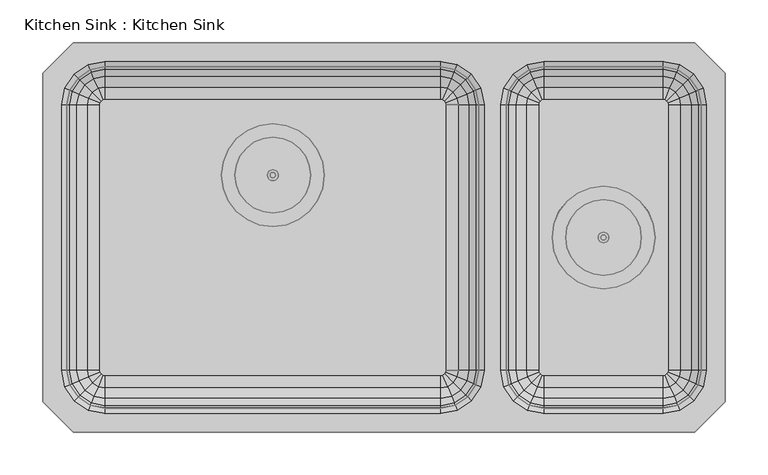
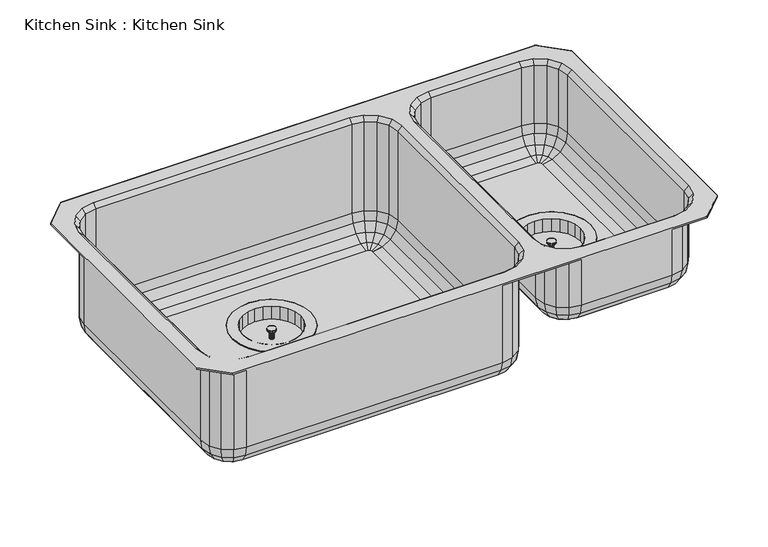
"""IFC4 building model written with IfcOpenShell, lengths in millimetres: flow terminal geometry, Kitchen Sink : Kitchen Sink."""

from ifc_helpers import new_model, si_unit, origin, place, context, project, spatial, triangles, source, transform, mapped, element, save


def kitchen_sink_kitchen_sink_70f16a05(model_context):
    return source(origin(), model_context, "Body", "Tessellation", [
        triangles([(660.5270514, -228.5999818, 63.4999985), (660.5270514, -228.5999818, 50.8000015), (660.4188457, -227.7782297, 50.8000015), (660.4188457, -227.7782297, 63.4999985), (701.8020029, -228.5999818, 50.8000015), (701.8020029, -228.5999818, 71.4375), (700.2874151, -217.0954697, 71.4375), (700.2874151, -217.0954697, 50.8000015), (660.1016413, -227.0124697, 50.8000015), (660.1016413, -227.0124697, 63.4999985), (695.8468431, -206.3749758, 71.4375), (695.8468431, -206.3749758, 50.8000015), (659.5970936, -226.3549154, 50.8000015), (659.5970936, -226.3549154, 63.4999985), (688.7829575, -197.1690697, 71.4375), (688.7829575, -197.1690697, 50.8000015), (658.9395029, -225.8503495, 50.8000015), (658.9395029, -225.8503495, 63.4999985), (679.5770514, -190.1051476, 71.4375), (679.5770514, -190.1051476, 50.8000015), (658.1737793, -225.5331632, 50.8000015), (658.1737793, -225.5331632, 63.4999985), (668.8565575, -185.6645757, 71.4375), (668.8565575, -185.6645757, 50.8000015), (657.3520271, -225.4249758, 50.8000015), (657.3520271, -225.4249758, 63.4999985), (657.3520271, -184.1499697, 71.4375), (657.3520271, -184.1499697, 50.8000015), (656.530275, -225.5331632, 50.8000015), (656.530275, -225.5331632, 63.4999985), (645.8474968, -185.6645757, 71.4375), (645.8474968, -185.6645757, 50.8000015), (655.7645514, -225.8503495, 50.8000015), (655.7645514, -225.8503495, 63.4999985), (635.1270029, -190.1051476, 71.4375), (635.1270029, -190.1051476, 50.8000015), (655.1069607, -226.3549154, 50.8000015), (655.1069607, -226.3549154, 63.4999985), (625.9210968, -197.1690697, 71.4375), (625.9210968, -197.1690697, 50.8000015), (654.602413, -227.0124697, 50.8000015), (654.602413, -227.0124697, 63.4999985), (618.8572111, -206.3749758, 71.4375), (618.8572111, -206.3749758, 50.8000015), (654.2852085, -227.7782297, 50.8000015), (654.2852085, -227.7782297, 63.4999985), (614.4166391, -217.0954697, 71.4375), (614.4166391, -217.0954697, 50.8000015), (654.1770029, -228.5999818, 50.8000015), (654.1770029, -228.5999818, 63.4999985), (612.9020514, -228.5999818, 71.4375), (612.9020514, -228.5999818, 50.8000015), (654.2852085, -229.421734, 50.8000015), (654.2852085, -229.421734, 63.4999985), (614.4166391, -240.1044758, 71.4375), (614.4166391, -240.1044758, 50.8000015), (654.602413, -230.1874758, 50.8000015), (654.602413, -230.1874758, 63.4999985), (618.8572111, -250.8249697, 71.4375), (618.8572111, -250.8249697, 50.8000015), (655.1069607, -230.8450301, 50.8000015), (655.1069607, -230.8450301, 63.4999985), (625.9210968, -260.0308758, 71.4375), (625.9210968, -260.0308758, 50.8000015), (655.7645514, -231.3496141, 50.8000015), (655.7645514, -231.3496141, 63.4999985), (635.1270029, -267.0947978, 71.4375), (635.1270029, -267.0947978, 50.8000015), (656.530275, -231.6667823, 50.8000015), (656.530275, -231.6667823, 63.4999985), (645.8474968, -271.5353698, 71.4375), (645.8474968, -271.5353698, 50.8000015), (657.3520271, -231.7749697, 50.8000015), (657.3520271, -231.7749697, 63.4999985), (657.3520271, -273.0499758, 71.4375), (657.3520271, -273.0499758, 50.8000015), (658.1737793, -231.6667823, 50.8000015), (658.1737793, -231.6667823, 63.4999985), (668.8565575, -271.5353698, 71.4375), (668.8565575, -271.5353698, 50.8000015), (658.9395029, -231.3496141, 50.8000015), (658.9395029, -231.3496141, 63.4999985), (679.5770514, -267.0947978, 71.4375), (679.5770514, -267.0947978, 50.8000015), (659.5970936, -230.8450301, 50.8000015), (659.5970936, -230.8450301, 63.4999985), (688.7829575, -260.0308758, 71.4375), (688.7829575, -260.0308758, 50.8000015), (660.1016413, -230.1874758, 50.8000015), (660.1016413, -230.1874758, 63.4999985), (695.8468431, -250.8249697, 71.4375), (695.8468431, -250.8249697, 50.8000015), (660.4188457, -229.421734, 50.8000015), (660.4188457, -229.421734, 63.4999985), (700.2874151, -240.1044758, 71.4375), (700.2874151, -240.1044758, 50.8000015), (599.082546, -244.2132367, 71.4375), (605.1090314, -258.7624758, 71.4375), (599.082546, -244.2132367, 69.8500015), (605.1090314, -258.7624758, 69.8500015), (614.6958372, -271.2561899, 71.4375), (700.008217, -271.2561899, 71.4375), (709.5949865, -258.7624758, 71.4375), (715.6215082, -244.2132367, 71.4375), (709.5949865, -258.7624758, 69.8500015), (715.6215082, -244.2132367, 69.8500015), (672.9653183, -286.8694448, 71.4375), (687.5145029, -280.8429594, 71.4375), (672.9653183, -286.8694448, 69.8500015), (687.5145029, -280.8429594, 69.8500015), (614.6958372, -271.2561899, 69.8500015), (627.1895514, -280.8429594, 69.8500015), (627.1895514, -280.8429594, 71.4375), (641.738736, -286.8694448, 69.8500015), (641.738736, -286.8694448, 71.4375), (657.3520271, -288.9249697, 69.8500015), (657.3520271, -288.9249697, 71.4375), (700.008217, -271.2561899, 69.8500015), (687.5145029, -176.3569861, 71.4375), (672.9653183, -170.3305007, 71.4375), (687.5145029, -176.3569861, 69.8500015), (672.9653183, -170.3305007, 69.8500015), (641.738736, -170.3305007, 71.4375), (627.1895514, -176.3569861, 71.4375), (614.6958372, -185.9437556, 71.4375), (627.1895514, -176.3569861, 69.8500015), (614.6958372, -185.9437556, 69.8500015), (663.7020029, -228.5999818, 66.675), (663.7020029, -228.5999818, 63.4999985), (663.4856644, -226.9564775, 63.4999985), (663.4856644, -226.9564775, 66.675), (662.8512554, -225.4249758, 63.4999985), (662.8512554, -225.4249758, 66.675), (661.84216, -224.1098489, 63.4999985), (661.84216, -224.1098489, 66.675), (660.5270514, -223.1007172, 63.4999985), (660.5270514, -223.1007172, 66.675), (658.9955315, -222.4663446, 63.4999985), (658.9955315, -222.4663446, 66.675), (657.3520271, -222.2499697, 63.4999985), (657.3520271, -222.2499697, 66.675), (655.7085228, -222.4663446, 63.4999985), (655.7085228, -222.4663446, 66.675), (654.1770029, -223.1007172, 63.4999985), (654.1770029, -223.1007172, 66.675), (652.8618942, -224.1098489, 63.4999985), (652.8618942, -224.1098489, 66.675), (651.8527988, -225.4249758, 63.4999985), (651.8527988, -225.4249758, 66.675), (651.2183899, -226.9564775, 63.4999985), (651.2183899, -226.9564775, 66.675), (651.0020514, -228.5999818, 63.4999985), (651.0020514, -228.5999818, 66.675), (651.2183899, -230.243468, 63.4999985), (651.2183899, -230.243468, 66.675), (651.8527988, -231.7749697, 63.4999985), (651.8527988, -231.7749697, 66.675), (652.8618942, -233.0900966, 63.4999985), (652.8618942, -233.0900966, 66.675), (654.1770029, -234.0992283, 63.4999985), (654.1770029, -234.0992283, 66.675), (655.7085228, -234.7336009, 63.4999985), (655.7085228, -234.7336009, 66.675), (657.3520271, -234.9499758, 63.4999985), (657.3520271, -234.9499758, 66.675), (658.9955315, -234.7336009, 63.4999985), (658.9955315, -234.7336009, 66.675), (660.5270514, -234.0992283, 63.4999985), (660.5270514, -234.0992283, 66.675), (661.84216, -233.0900966, 63.4999985), (661.84216, -233.0900966, 66.675), (662.8512554, -231.7749697, 63.4999985), (662.8512554, -231.7749697, 66.675), (663.4856644, -230.243468, 63.4999985), (663.4856644, -230.243468, 66.675), (657.3520271, -228.5999818, 66.675), (605.1090314, -198.4374697, 71.4375), (605.1090314, -198.4374697, 69.8500015), (599.082546, -212.9867088, 71.4375), (597.0270392, -228.5999818, 71.4375), (599.082546, -212.9867088, 69.8500015), (597.0270392, -228.5999818, 69.8500015), (657.3520271, -168.2749758, 69.8500015), (657.3520271, -168.2749758, 71.4375), (641.738736, -170.3305007, 69.8500015), (700.008217, -185.9437556, 71.4375), (700.008217, -185.9437556, 69.8500015), (717.6770514, -228.5999818, 71.4375), (715.6215082, -212.9867088, 71.4375), (717.6770514, -228.5999818, 69.8500015), (715.6215082, -212.9867088, 69.8500015), (709.5949865, -198.4374697, 69.8500015), (709.5949865, -198.4374697, 71.4375), (272.9230031, -155.4479789, 12.7000004), (272.9230031, -155.4479789, 0.0), (272.8148157, -154.6262268, 0.0), (272.8148157, -154.6262268, 12.7000004), (314.1980092, -155.4479789, 0.0), (314.1980092, -155.4479789, 20.6375008), (312.6833851, -143.9434668, 20.6375008), (312.6833851, -143.9434668, 0.0), (272.4976294, -153.8604668, 0.0), (272.4976294, -153.8604668, 12.7000004), (308.2428131, -133.2229729, 20.6375008), (308.2428131, -133.2229729, 0.0), (271.9930635, -153.2029125, 0.0), (271.9930635, -153.2029125, 12.7000004), (301.1788911, -124.0170758, 20.6375008), (301.1788911, -124.0170758, 0.0), (271.335491, -152.6983466, 0.0), (271.335491, -152.6983466, 12.7000004), (291.9730031, -116.9531447, 20.6375008), (291.9730031, -116.9531447, 0.0), (270.5697493, -152.3811603, 0.0), (270.5697493, -152.3811603, 12.7000004), (281.2525093, -112.5125728, 20.6375008), (281.2525093, -112.5125728, 0.0), (269.7479971, -152.2729729, 0.0), (269.7479971, -152.2729729, 12.7000004), (269.7479971, -110.9979759, 20.6375008), (269.7479971, -110.9979759, 0.0), (268.9262449, -152.3811603, 0.0), (268.9262449, -152.3811603, 12.7000004), (258.2434849, -112.5125728, 20.6375008), (258.2434849, -112.5125728, 0.0), (268.1605031, -152.6983466, 0.0), (268.1605031, -152.6983466, 12.7000004), (247.522991, -116.9531447, 20.6375008), (247.522991, -116.9531447, 0.0), (267.5029306, -153.2029125, 0.0), (267.5029306, -153.2029125, 12.7000004), (238.3171031, -124.0170758, 20.6375008), (238.3171031, -124.0170758, 0.0), (266.9983648, -153.8604668, 0.0), (266.9983648, -153.8604668, 12.7000004), (231.2531629, -133.2229729, 20.6375008), (231.2531629, -133.2229729, 0.0), (266.6811785, -154.6262268, 0.0), (266.6811785, -154.6262268, 12.7000004), (226.8125909, -143.9434668, 20.6375008), (226.8125909, -143.9434668, 0.0), (266.572991, -155.4479789, 0.0), (266.572991, -155.4479789, 12.7000004), (225.2980031, -155.4479789, 20.6375008), (225.2980031, -155.4479789, 0.0), (266.6811785, -156.2697311, 0.0), (266.6811785, -156.2697311, 12.7000004), (226.8125909, -166.9524729, 20.6375008), (226.8125909, -166.9524729, 0.0), (266.9983648, -157.0354729, 0.0), (266.9983648, -157.0354729, 12.7000004), (231.2531629, -177.6729668, 20.6375008), (231.2531629, -177.6729668, 0.0), (267.5029306, -157.6930454, 0.0), (267.5029306, -157.6930454, 12.7000004), (238.3171031, -186.8788729, 20.6375008), (238.3171031, -186.8788729, 0.0), (268.1605031, -158.1976112, 0.0), (268.1605031, -158.1976112, 12.7000004), (247.522991, -193.9427949, 20.6375008), (247.522991, -193.9427949, 0.0), (268.9262449, -158.5147975, 0.0), (268.9262449, -158.5147975, 12.7000004), (258.2434849, -198.3833851, 20.6375008), (258.2434849, -198.3833851, 0.0), (269.7479971, -158.6229668, 0.0), (269.7479971, -158.6229668, 12.7000004), (269.7479971, -199.8979729, 20.6375008), (269.7479971, -199.8979729, 0.0), (270.5697493, -158.5147975, 0.0), (270.5697493, -158.5147975, 12.7000004), (281.2525093, -198.3833851, 20.6375008), (281.2525093, -198.3833851, 0.0), (271.335491, -158.1976112, 0.0), (271.335491, -158.1976112, 12.7000004), (291.9730031, -193.9427949, 20.6375008), (291.9730031, -193.9427949, 0.0), (271.9930635, -157.6930454, 0.0), (271.9930635, -157.6930454, 12.7000004), (301.1788911, -186.8788729, 20.6375008), (301.1788911, -186.8788729, 0.0), (272.4976294, -157.0354729, 0.0), (272.4976294, -157.0354729, 12.7000004), (308.2428131, -177.6729668, 20.6375008), (308.2428131, -177.6729668, 0.0), (272.8148157, -156.2697311, 0.0), (272.8148157, -156.2697311, 12.7000004), (312.6833851, -166.9524729, 20.6375008), (312.6833851, -166.9524729, 0.0), (211.478516, -171.0612338, 20.6375008), (217.5050195, -185.6104729, 20.6375008), (211.478516, -171.0612338, 19.05), (217.5050195, -185.6104729, 19.05), (227.091789, -198.104187, 20.6375008), (312.4042233, -198.104187, 20.6375008), (321.9909928, -185.6104729, 20.6375008), (328.0174782, -171.0612338, 20.6375008), (321.9909928, -185.6104729, 19.05), (328.0174782, -171.0612338, 19.05), (285.3612519, -213.7174418, 20.6375008), (299.910491, -207.6909565, 20.6375008), (285.3612519, -213.7174418, 19.05), (299.910491, -207.6909565, 19.05), (227.091789, -198.104187, 19.05), (239.5855031, -207.6909565, 19.05), (239.5855031, -207.6909565, 20.6375008), (254.1347423, -213.7174418, 19.05), (254.1347423, -213.7174418, 20.6375008), (269.7479971, -215.7729668, 19.05), (269.7479971, -215.7729668, 20.6375008), (312.4042233, -198.104187, 19.05), (299.910491, -103.2049923, 20.6375008), (285.3612519, -97.1784978, 20.6375008), (299.910491, -103.2049923, 19.05), (285.3612519, -97.1784978, 19.05), (254.1347423, -97.1784978, 20.6375008), (239.5855031, -103.2049923, 20.6375008), (227.091789, -112.7917618, 20.6375008), (239.5855031, -103.2049923, 19.05), (227.091789, -112.7917618, 19.05), (276.097991, -155.4479789, 15.8749996), (276.097991, -155.4479789, 12.7000004), (275.8816343, -153.8044746, 12.7000004), (275.8816343, -153.8044746, 15.8749996), (275.2472617, -152.2729729, 12.7000004), (275.2472617, -152.2729729, 15.8749996), (274.23813, -150.957846, 12.7000004), (274.23813, -150.957846, 15.8749996), (272.9230031, -149.9487143, 12.7000004), (272.9230031, -149.9487143, 15.8749996), (271.3915014, -149.3143417, 12.7000004), (271.3915014, -149.3143417, 15.8749996), (269.7479971, -149.0979759, 12.7000004), (269.7479971, -149.0979759, 15.8749996), (268.1044928, -149.3143417, 12.7000004), (268.1044928, -149.3143417, 15.8749996), (266.572991, -149.9487143, 12.7000004), (266.572991, -149.9487143, 15.8749996), (265.2578642, -150.957846, 12.7000004), (265.2578642, -150.957846, 15.8749996), (264.2487325, -152.2729729, 12.7000004), (264.2487325, -152.2729729, 15.8749996), (263.614378, -153.8044746, 12.7000004), (263.614378, -153.8044746, 15.8749996), (263.3980031, -155.4479789, 12.7000004), (263.3980031, -155.4479789, 15.8749996), (263.614378, -157.0914833, 12.7000004), (263.614378, -157.0914833, 15.8749996), (264.2487325, -158.6229668, 12.7000004), (264.2487325, -158.6229668, 15.8749996), (265.2578642, -159.9380937, 12.7000004), (265.2578642, -159.9380937, 15.8749996), (266.572991, -160.9472435, 12.7000004), (266.572991, -160.9472435, 15.8749996), (268.1044928, -161.581598, 12.7000004), (268.1044928, -161.581598, 15.8749996), (269.7479971, -161.7979729, 12.7000004), (269.7479971, -161.7979729, 15.8749996), (271.3915014, -161.581598, 12.7000004), (271.3915014, -161.581598, 15.8749996), (272.9230031, -160.9472435, 12.7000004), (272.9230031, -160.9472435, 15.8749996), (274.23813, -159.9380937, 12.7000004), (274.23813, -159.9380937, 15.8749996), (275.2472617, -158.6229668, 12.7000004), (275.2472617, -158.6229668, 15.8749996), (275.8816343, -157.0914833, 12.7000004), (275.8816343, -157.0914833, 15.8749996), (269.7479971, -155.4479789, 15.8749996), (217.5050195, -125.2854759, 20.6375008), (217.5050195, -125.2854759, 19.05), (211.478516, -139.834715, 20.6375008), (209.422991, -155.4479789, 20.6375008), (211.478516, -139.834715, 19.05), (209.422991, -155.4479789, 19.05), (269.7479971, -95.1229729, 19.05), (269.7479971, -95.1229729, 20.6375008), (254.1347423, -97.1784978, 19.05), (312.4042233, -112.7917618, 20.6375008), (312.4042233, -112.7917618, 19.05), (330.072985, -155.4479789, 20.6375008), (328.0174782, -139.834715, 20.6375008), (330.072985, -155.4479789, 19.05), (328.0174782, -139.834715, 19.05), (321.9909928, -125.2854759, 19.05), (321.9909928, -125.2854759, 20.6375008)], [[2, 3, 1], [3, 4, 1], [6, 7, 8], [6, 8, 5], [3, 9, 4], [9, 10, 4], [7, 11, 12], [7, 12, 8], [9, 13, 10], [13, 14, 10], [11, 15, 16], [11, 16, 12], [13, 17, 14], [17, 18, 14], [15, 19, 20], [15, 20, 16], [17, 21, 18], [21, 22, 18], [19, 23, 24], [19, 24, 20], [21, 25, 22], [25, 26, 22], [23, 27, 28], [23, 28, 24], [25, 29, 26], [29, 30, 26], [27, 31, 32], [27, 32, 28], [29, 33, 30], [33, 34, 30], [31, 35, 36], [31, 36, 32], [33, 37, 34], [37, 38, 34], [35, 39, 40], [35, 40, 36], [37, 41, 38], [41, 42, 38], [39, 43, 44], [39, 44, 40], [41, 45, 42], [45, 46, 42], [43, 47, 48], [43, 48, 44], [45, 49, 50], [45, 50, 46], [47, 51, 52], [47, 52, 48], [49, 53, 54], [49, 54, 50], [51, 55, 56], [51, 56, 52], [53, 57, 58], [53, 58, 54], [55, 59, 60], [55, 60, 56], [57, 61, 62], [57, 62, 58], [59, 63, 64], [59, 64, 60], [61, 65, 66], [61, 66, 62], [63, 67, 68], [63, 68, 64], [65, 69, 70], [65, 70, 66], [67, 71, 72], [67, 72, 68], [69, 73, 74], [69, 74, 70], [71, 75, 76], [71, 76, 72], [73, 77, 78], [73, 78, 74], [75, 79, 80], [75, 80, 76], [77, 81, 82], [77, 82, 78], [79, 83, 84], [79, 84, 80], [81, 85, 86], [81, 86, 82], [83, 87, 88], [83, 88, 84], [85, 89, 90], [85, 90, 86], [87, 91, 92], [87, 92, 88], [89, 93, 94], [89, 94, 90], [91, 95, 92], [95, 96, 92], [93, 2, 94], [2, 1, 94], [95, 6, 5], [95, 5, 96], [60, 64, 61], [60, 61, 57], [64, 68, 65], [64, 65, 61], [68, 72, 69], [68, 69, 65], [72, 76, 73], [72, 73, 69], [76, 80, 77], [76, 77, 73], [80, 84, 81], [80, 81, 77], [84, 88, 85], [84, 85, 81], [88, 92, 89], [88, 89, 85], [5, 8, 3], [5, 3, 2], [8, 12, 9], [8, 9, 3], [12, 16, 13], [12, 13, 9], [16, 20, 17], [16, 17, 13], [20, 24, 21], [20, 21, 17], [92, 96, 93], [92, 93, 89], [96, 5, 2], [96, 2, 93], [24, 28, 21], [28, 25, 21], [28, 32, 25], [32, 29, 25], [32, 36, 29], [36, 33, 29], [36, 40, 33], [40, 37, 33], [40, 44, 37], [44, 41, 37], [44, 48, 45], [44, 45, 41], [48, 52, 49], [48, 49, 45], [52, 56, 53], [52, 53, 49], [56, 60, 57], [56, 57, 53], [97, 98, 59], [97, 59, 55], [99, 100, 98], [99, 98, 97], [98, 101, 63], [98, 63, 59], [102, 103, 87], [103, 91, 87], [103, 104, 95], [103, 95, 91], [105, 106, 104], [105, 104, 103], [107, 108, 83], [107, 83, 79], [109, 110, 108], [109, 108, 107], [100, 111, 101], [100, 101, 98], [111, 112, 113], [111, 113, 101], [112, 114, 115], [112, 115, 113], [114, 116, 117], [114, 117, 115], [116, 109, 107], [116, 107, 117], [113, 115, 71], [113, 71, 67], [115, 117, 75], [115, 75, 71], [101, 113, 67], [101, 67, 63], [117, 107, 79], [117, 79, 75], [110, 118, 102], [110, 102, 108], [118, 105, 103], [118, 103, 102], [108, 102, 83], [102, 87, 83], [119, 120, 23], [119, 23, 19], [121, 122, 119], [122, 120, 119], [123, 124, 31], [124, 35, 31], [124, 125, 39], [124, 39, 35], [126, 127, 125], [126, 125, 124], [129, 130, 128], [130, 131, 128], [130, 132, 131], [132, 133, 131], [132, 134, 133], [134, 135, 133], [134, 136, 135], [136, 137, 135], [136, 138, 137], [138, 139, 137], [138, 140, 139], [140, 141, 139], [140, 142, 141], [142, 143, 141], [142, 144, 143], [144, 145, 143], [144, 146, 145], [146, 147, 145], [146, 148, 147], [148, 149, 147], [148, 150, 149], [150, 151, 149], [150, 152, 153], [150, 153, 151], [152, 154, 155], [152, 155, 153], [154, 156, 157], [154, 157, 155], [156, 158, 159], [156, 159, 157], [158, 160, 161], [158, 161, 159], [160, 162, 163], [160, 163, 161], [162, 164, 165], [162, 165, 163], [164, 166, 167], [164, 167, 165], [166, 168, 169], [166, 169, 167], [168, 170, 171], [168, 171, 169], [170, 172, 173], [170, 173, 171], [172, 174, 175], [172, 175, 173], [174, 129, 175], [129, 128, 175], [4, 10, 130], [10, 132, 130], [10, 14, 132], [14, 134, 132], [14, 18, 134], [18, 136, 134], [18, 22, 136], [22, 138, 136], [78, 82, 168], [78, 168, 166], [82, 86, 170], [82, 170, 168], [86, 90, 172], [86, 172, 170], [90, 94, 174], [90, 174, 172], [54, 58, 156], [54, 156, 154], [58, 62, 158], [58, 158, 156], [70, 74, 164], [70, 164, 162], [74, 78, 166], [74, 166, 164], [66, 70, 162], [66, 162, 160], [62, 66, 160], [62, 160, 158], [38, 42, 148], [38, 148, 146], [42, 46, 148], [46, 150, 148], [46, 50, 150], [50, 152, 150], [50, 54, 154], [50, 154, 152], [34, 38, 146], [34, 146, 144], [26, 30, 142], [26, 142, 140], [30, 34, 144], [30, 144, 142], [22, 26, 140], [22, 140, 138], [1, 4, 129], [4, 130, 129], [94, 1, 129], [94, 129, 174], [176, 128, 131], [176, 131, 133], [176, 133, 135], [176, 135, 137], [176, 137, 139], [176, 167, 169], [176, 169, 171], [176, 171, 173], [176, 173, 175], [176, 175, 128], [176, 155, 157], [176, 157, 159], [176, 159, 161], [176, 161, 163], [176, 163, 165], [176, 165, 167], [176, 147, 149], [176, 149, 151], [176, 151, 153], [176, 153, 155], [176, 139, 141], [176, 141, 143], [176, 143, 145], [176, 145, 147], [125, 177, 43], [125, 43, 39], [127, 178, 177], [127, 177, 125], [177, 179, 47], [177, 47, 43], [179, 180, 51], [179, 51, 47], [180, 97, 55], [180, 55, 51], [181, 182, 180], [181, 180, 179], [182, 99, 97], [182, 97, 180], [178, 181, 179], [178, 179, 177], [122, 183, 120], [183, 184, 120], [183, 185, 123], [183, 123, 184], [185, 126, 124], [185, 124, 123], [184, 123, 27], [123, 31, 27], [120, 184, 23], [184, 27, 23], [186, 119, 19], [186, 19, 15], [187, 121, 119], [187, 119, 186], [188, 189, 7], [188, 7, 6], [190, 191, 189], [190, 189, 188], [106, 190, 188], [106, 188, 104], [104, 188, 6], [104, 6, 95], [191, 192, 193], [191, 193, 189], [192, 187, 186], [192, 186, 193], [189, 193, 11], [189, 11, 7], [193, 186, 15], [193, 15, 11], [195, 196, 197], [195, 197, 194], [199, 200, 201], [199, 201, 198], [196, 202, 203], [196, 203, 197], [200, 204, 205], [200, 205, 201], [202, 206, 207], [202, 207, 203], [204, 208, 209], [204, 209, 205], [206, 210, 211], [206, 211, 207], [208, 212, 213], [208, 213, 209], [210, 214, 215], [210, 215, 211], [212, 216, 217], [212, 217, 213], [214, 218, 219], [214, 219, 215], [216, 220, 221], [216, 221, 217], [218, 222, 223], [218, 223, 219], [220, 224, 225], [220, 225, 221], [222, 226, 227], [222, 227, 223], [224, 228, 229], [224, 229, 225], [226, 230, 231], [226, 231, 227], [228, 232, 233], [228, 233, 229], [230, 234, 235], [230, 235, 231], [232, 236, 237], [232, 237, 233], [234, 238, 239], [234, 239, 235], [236, 240, 241], [236, 241, 237], [238, 242, 243], [238, 243, 239], [240, 244, 245], [240, 245, 241], [242, 246, 247], [242, 247, 243], [244, 248, 249], [244, 249, 245], [246, 250, 251], [246, 251, 247], [248, 252, 253], [248, 253, 249], [250, 254, 255], [250, 255, 251], [252, 256, 257], [252, 257, 253], [254, 258, 259], [254, 259, 255], [256, 260, 261], [256, 261, 257], [258, 262, 263], [258, 263, 259], [260, 264, 265], [260, 265, 261], [262, 266, 267], [262, 267, 263], [264, 268, 269], [264, 269, 265], [266, 270, 271], [266, 271, 267], [268, 272, 273], [268, 273, 269], [270, 274, 275], [270, 275, 271], [272, 276, 277], [272, 277, 273], [274, 278, 279], [274, 279, 275], [276, 280, 281], [276, 281, 277], [278, 282, 283], [278, 283, 279], [280, 284, 285], [280, 285, 281], [282, 286, 287], [282, 287, 283], [284, 288, 289], [284, 289, 285], [286, 195, 194], [286, 194, 287], [288, 199, 198], [288, 198, 289], [253, 257, 254], [253, 254, 250], [257, 261, 258], [257, 258, 254], [261, 265, 262], [261, 262, 258], [265, 269, 266], [265, 266, 262], [269, 273, 270], [269, 270, 266], [273, 277, 274], [273, 274, 270], [277, 281, 278], [277, 278, 274], [281, 285, 282], [281, 282, 278], [198, 201, 196], [198, 196, 195], [201, 205, 202], [201, 202, 196], [205, 209, 206], [205, 206, 202], [209, 213, 210], [209, 210, 206], [213, 217, 214], [213, 214, 210], [285, 289, 286], [285, 286, 282], [289, 198, 195], [289, 195, 286], [217, 221, 214], [221, 218, 214], [221, 225, 218], [225, 222, 218], [225, 229, 222], [229, 226, 222], [229, 233, 226], [233, 230, 226], [233, 237, 230], [237, 234, 230], [237, 241, 238], [237, 238, 234], [241, 245, 242], [241, 242, 238], [245, 249, 246], [245, 246, 242], [249, 253, 250], [249, 250, 246], [290, 291, 252], [290, 252, 248], [292, 293, 291], [292, 291, 290], [291, 294, 256], [291, 256, 252], [295, 296, 284], [295, 284, 280], [296, 297, 288], [296, 288, 284], [298, 299, 297], [298, 297, 296], [300, 301, 272], [301, 276, 272], [302, 303, 301], [302, 301, 300], [293, 304, 294], [293, 294, 291], [304, 305, 306], [304, 306, 294], [305, 307, 308], [305, 308, 306], [307, 309, 310], [307, 310, 308], [309, 302, 300], [309, 300, 310], [306, 308, 264], [306, 264, 260], [308, 310, 268], [308, 268, 264], [294, 306, 260], [294, 260, 256], [310, 300, 272], [310, 272, 268], [303, 311, 295], [303, 295, 301], [311, 298, 296], [311, 296, 295], [301, 295, 276], [295, 280, 276], [312, 313, 216], [312, 216, 212], [314, 315, 312], [315, 313, 312], [316, 317, 224], [317, 228, 224], [317, 318, 232], [317, 232, 228], [319, 320, 318], [319, 318, 317], [322, 323, 321], [323, 324, 321], [323, 325, 324], [325, 326, 324], [325, 327, 326], [327, 328, 326], [327, 329, 328], [329, 330, 328], [329, 331, 330], [331, 332, 330], [331, 333, 332], [333, 334, 332], [333, 335, 334], [335, 336, 334], [335, 337, 336], [337, 338, 336], [337, 339, 338], [339, 340, 338], [339, 341, 340], [341, 342, 340], [341, 343, 344], [341, 344, 342], [343, 345, 346], [343, 346, 344], [345, 347, 348], [345, 348, 346], [347, 349, 350], [347, 350, 348], [349, 351, 352], [349, 352, 350], [351, 353, 354], [351, 354, 352], [353, 355, 356], [353, 356, 354], [355, 357, 358], [355, 358, 356], [357, 359, 360], [357, 360, 358], [359, 361, 362], [359, 362, 360], [361, 363, 364], [361, 364, 362], [363, 365, 366], [363, 366, 364], [365, 367, 366], [367, 368, 366], [367, 322, 368], [322, 321, 368], [197, 203, 323], [203, 325, 323], [203, 207, 325], [207, 327, 325], [207, 211, 327], [211, 329, 327], [211, 215, 331], [211, 331, 329], [271, 275, 361], [271, 361, 359], [275, 279, 363], [275, 363, 361], [279, 283, 365], [279, 365, 363], [283, 287, 367], [283, 367, 365], [247, 251, 349], [247, 349, 347], [251, 255, 351], [251, 351, 349], [263, 267, 357], [263, 357, 355], [267, 271, 359], [267, 359, 357], [259, 263, 355], [259, 355, 353], [255, 259, 353], [255, 353, 351], [231, 235, 341], [231, 341, 339], [235, 239, 341], [239, 343, 341], [239, 243, 345], [239, 345, 343], [243, 247, 347], [243, 347, 345], [227, 231, 339], [227, 339, 337], [219, 223, 335], [219, 335, 333], [223, 227, 337], [223, 337, 335], [215, 219, 333], [215, 333, 331], [194, 197, 322], [197, 323, 322], [287, 194, 367], [194, 322, 367], [369, 321, 324], [369, 324, 326], [369, 326, 328], [369, 328, 330], [369, 330, 332], [369, 360, 362], [369, 362, 364], [369, 364, 366], [369, 366, 368], [369, 368, 321], [369, 348, 350], [369, 350, 352], [369, 352, 354], [369, 354, 356], [369, 356, 358], [369, 358, 360], [369, 340, 342], [369, 342, 344], [369, 344, 346], [369, 346, 348], [369, 332, 334], [369, 334, 336], [369, 336, 338], [369, 338, 340], [318, 370, 236], [318, 236, 232], [320, 371, 370], [320, 370, 318], [370, 372, 240], [370, 240, 236], [372, 373, 244], [372, 244, 240], [373, 290, 248], [373, 248, 244], [374, 375, 373], [374, 373, 372], [375, 292, 290], [375, 290, 373], [371, 374, 372], [371, 372, 370], [315, 376, 313], [376, 377, 313], [376, 378, 377], [378, 316, 377], [378, 319, 316], [319, 317, 316], [377, 316, 220], [316, 224, 220], [313, 377, 216], [377, 220, 216], [379, 312, 212], [379, 212, 208], [380, 314, 379], [314, 312, 379], [381, 382, 200], [381, 200, 199], [383, 384, 381], [384, 382, 381], [299, 383, 381], [299, 381, 297], [297, 381, 199], [297, 199, 288], [384, 385, 382], [385, 386, 382], [385, 380, 386], [380, 379, 386], [382, 386, 204], [382, 204, 200], [386, 379, 208], [386, 208, 204]], closed=False),
        triangles([(72.8980259, -428.7519908, 57.15), (72.8980259, -425.8518044, 42.5697671), (56.9975747, -422.6889888, 42.5697671), (55.8877224, -425.3684037, 57.15), (546.4355779, -401.3122413, 107.949997), (549.1149928, -400.202389, 93.3697641), (545.9521771, -384.3019787, 93.3697641), (543.0520271, -384.3019787, 107.949997), (28.4480251, -72.8979759, 57.15), (31.3481978, -72.8979759, 42.5697671), (34.5109544, -56.9975248, 42.5697671), (31.8315599, -55.8877224, 57.15), (543.0520271, -72.8979759, 107.949997), (545.9521771, -72.8979759, 93.3697641), (549.1149928, -56.9975248, 93.3697641), (546.4355779, -55.8877224, 107.949997), (768.2684401, -55.8877224, 107.949997), (765.5890251, -56.9975248, 93.3697641), (768.7517681, -72.8979759, 93.3697641), (771.6520271, -72.8979759, 107.949997), (727.2020514, -28.4479751, 107.949997), (727.2020514, -31.3481728, 93.3697641), (743.102389, -34.5109794, 93.3697641), (744.2122776, -31.831535, 107.949997), (507.6644342, -55.8877224, 57.15), (504.9850193, -56.9975248, 42.5697671), (508.1478713, -72.8979759, 42.5697671), (511.0480213, -72.8979759, 57.15), (727.2020514, -428.7519908, 201.6760075), (727.2020514, -435.1019666, 208.0260015), (746.6422892, -431.2350514, 208.0260015), (744.2122776, -425.3684037, 201.6760075), (763.1230419, -420.2230056, 208.0260015), (758.632909, -415.7328727, 201.6760075), (774.1350878, -403.7422892, 208.0260015), (768.2684401, -401.3122413, 201.6760075), (778.0020029, -384.3019787, 208.0260015), (771.6520271, -384.3019787, 201.6760075), (587.5020392, -28.4479751, 201.6760075), (587.5020392, -22.0979744, 208.0260015), (568.0616924, -25.9648963, 208.0260015), (570.491704, -31.831535, 201.6760075), (551.5810123, -36.9769649, 208.0260015), (556.0711089, -41.4670728, 201.6760075), (540.5689301, -53.4576291, 208.0260015), (546.4355779, -55.8877224, 201.6760075), (536.702015, -72.8979759, 208.0260015), (543.0520271, -72.8979759, 201.6760075), (771.6520271, -72.8979759, 201.6760075), (778.0020029, -72.8979759, 208.0260015), (774.1350878, -53.4576291, 208.0260015), (768.2684401, -55.8877224, 201.6760075), (763.1230419, -36.9769649, 208.0260015), (758.632909, -41.4670728, 201.6760075), (746.6422892, -25.9648963, 208.0260015), (744.2122776, -31.831535, 201.6760075), (727.2020514, -22.0979744, 208.0260015), (727.2020514, -28.4479751, 201.6760075), (543.0520271, -384.3019787, 201.6760075), (536.702015, -384.3019787, 208.0260015), (540.5689301, -403.7422892, 208.0260015), (546.4355779, -401.3122413, 201.6760075), (551.5810123, -420.2230056, 208.0260015), (556.0711089, -415.7328727, 201.6760075), (568.0616924, -431.2350514, 208.0260015), (570.491704, -425.3684037, 201.6760075), (587.5020392, -435.1019666, 208.0260015), (587.5020392, -428.7519908, 201.6760075), (486.0382833, -431.2350514, 208.0260015), (483.6082355, -425.3684037, 201.6760075), (466.5980092, -428.7519908, 201.6760075), (466.5980092, -435.1019666, 208.0260015), (502.5190361, -420.2230056, 208.0260015), (498.0289032, -415.7328727, 201.6760075), (513.5311183, -403.7422892, 208.0260015), (507.6644342, -401.3122413, 201.6760075), (517.3980334, -384.3019787, 208.0260015), (511.0480213, -384.3019787, 201.6760075), (53.4577018, -25.9648963, 208.0260015), (55.8877224, -31.831535, 201.6760075), (72.8980259, -28.4479751, 201.6760075), (72.8980259, -22.0979744, 208.0260015), (36.9769899, -36.9769649, 208.0260015), (41.4671001, -41.4670728, 201.6760075), (25.9649213, -53.4576291, 208.0260015), (31.8315599, -55.8877224, 201.6760075), (22.0980243, -72.8979759, 208.0260015), (28.4480251, -72.8979759, 201.6760075), (513.5311183, -53.4576291, 208.0260015), (507.6644342, -55.8877224, 201.6760075), (511.0480213, -72.8979759, 201.6760075), (517.3980334, -72.8979759, 208.0260015), (502.5190361, -36.9769649, 208.0260015), (498.0289032, -41.4670728, 201.6760075), (486.0382833, -25.9648963, 208.0260015), (483.6082355, -31.831535, 201.6760075), (466.5980092, -22.0979744, 208.0260015), (466.5980092, -28.4479751, 201.6760075), (25.9649213, -403.7422892, 208.0260015), (31.8315599, -401.3122413, 201.6760075), (28.4480251, -384.3019787, 201.6760075), (22.0980243, -384.3019787, 208.0260015), (36.9769899, -420.2230056, 208.0260015), (41.4671001, -415.7328727, 201.6760075), (53.4577018, -431.2350514, 208.0260015), (55.8877224, -425.3684037, 201.6760075), (72.8980259, -435.1019666, 208.0260015), (72.8980259, -428.7519908, 201.6760075), (558.1218558, -413.6821258, 93.3697641), (556.0711089, -415.7328727, 107.949997), (571.6015926, -422.6889888, 93.3697641), (570.491704, -425.3684037, 107.949997), (556.7453047, -397.0417897, 81.0092359), (554.2111934, -384.3019787, 81.0092359), (563.9619063, -407.8421116, 81.0092359), (574.7621919, -415.0586406, 81.0092359), (587.5020392, -417.5927519, 81.0092359), (587.5020392, -425.8518044, 93.3697641), (568.1649928, -392.3116279, 72.7501969), (566.5717761, -384.3019787, 72.7501969), (572.7021069, -399.1019111, 72.7501969), (579.4923901, -403.6389888, 72.7501969), (587.5020392, -405.2322055, 72.7501969), (583.0119063, -388.7921116, 69.8500015), (581.6353552, -386.7320266, 69.8500015), (585.0719913, -390.1686264, 69.8500015), (587.5020392, -428.7519908, 107.949997), (581.1520271, -384.3019787, 69.8500015), (587.5020392, -390.6519908, 69.8500015), (581.2740037, -385.5408202, 69.8500015), (582.2221653, -387.829852, 69.8500015), (583.9741296, -389.5818163, 69.8500015), (586.2631977, -390.5299779, 69.8500015), (756.5821621, -413.6821258, 93.3697641), (743.102389, -422.6889888, 93.3697641), (744.2122776, -425.3684037, 107.949997), (758.632909, -415.7328727, 107.949997), (765.5890251, -400.202389, 93.3697641), (768.2684401, -401.3122413, 107.949997), (739.9418261, -415.0586406, 81.0092359), (727.2020514, -417.5927519, 81.0092359), (727.2020514, -425.8518044, 93.3697641), (750.7421843, -407.8421116, 81.0092359), (757.9586769, -397.0417897, 81.0092359), (760.4927519, -384.3019787, 81.0092359), (768.7517681, -384.3019787, 93.3697641), (735.2116642, -403.6389888, 72.7501969), (727.2020514, -405.2322055, 72.7501969), (742.0019474, -399.1019111, 72.7501969), (746.5390251, -392.3116279, 72.7501969), (748.1323145, -384.3019787, 72.7501969), (731.6921843, -388.7921116, 69.8500015), (729.6320629, -390.1686264, 69.8500015), (733.0686264, -386.7320266, 69.8500015), (727.2020514, -428.7519908, 107.949997), (771.6520271, -384.3019787, 107.949997), (727.2020514, -390.6519908, 69.8500015), (733.5520271, -384.3019787, 69.8500015), (728.4408566, -390.5299779, 69.8500015), (730.7298883, -389.5818163, 69.8500015), (732.4818163, -387.829852, 69.8500015), (733.4300142, -385.5408202, 69.8500015), (558.1218558, -43.517847, 93.3697641), (571.6015926, -34.5109794, 93.3697641), (570.491704, -31.831535, 107.949997), (556.0711089, -41.4670728, 107.949997), (574.7621919, -42.1413185, 81.0092359), (587.5020392, -39.6072118, 81.0092359), (587.5020392, -31.3481728, 93.3697641), (563.9619063, -49.3578884, 81.0092359), (556.7453047, -60.1581467, 81.0092359), (554.2111934, -72.8979759, 81.0092359), (579.4923901, -53.5609794, 72.7501969), (587.5020392, -51.9677673, 72.7501969), (572.7021069, -58.0981071, 72.7501969), (568.1649928, -64.8883403, 72.7501969), (566.5717761, -72.8979759, 72.7501969), (583.0119063, -68.4078884, 69.8500015), (585.0719913, -67.03131, 69.8500015), (581.6353552, -70.4679325, 69.8500015), (587.5020392, -28.4479751, 107.949997), (587.5020392, -66.5479729, 69.8500015), (581.1520271, -72.8979759, 69.8500015), (586.2631977, -66.6699949, 69.8500015), (583.9741296, -67.6181519, 69.8500015), (582.2221653, -69.3701434, 69.8500015), (581.2740037, -71.6591934, 69.8500015), (756.5821621, -43.517847, 93.3697641), (758.632909, -41.4670728, 107.949997), (757.9586769, -60.1581467, 81.0092359), (760.4927519, -72.8979759, 81.0092359), (750.7421843, -49.3578884, 81.0092359), (739.9418261, -42.1413185, 81.0092359), (727.2020514, -39.6072118, 81.0092359), (746.5390251, -64.8883403, 72.7501969), (748.1323145, -72.8979759, 72.7501969), (742.0019474, -58.0981071, 72.7501969), (735.2116642, -53.5609794, 72.7501969), (727.2020514, -51.9677673, 72.7501969), (731.6921843, -68.4078884, 69.8500015), (733.0686264, -70.4679325, 69.8500015), (729.6320629, -67.03131, 69.8500015), (733.5520271, -72.8979759, 69.8500015), (727.2020514, -66.5479729, 69.8500015), (733.4300142, -71.6591934, 69.8500015), (732.4818163, -69.3701434, 69.8500015), (730.7298883, -67.6181519, 69.8500015), (728.4408566, -66.6699949, 69.8500015), (714.5020271, -228.5999818, 69.8500015), (710.1517113, -250.4703402, 69.8500015), (697.7631506, -269.0111416, 69.8500015), (679.2224218, -281.3996841, 69.8500015), (657.3520271, -285.7499818, 69.8500015), (635.4816324, -281.3996841, 69.8500015), (616.9409037, -269.0111416, 69.8500015), (604.5522703, -250.4703402, 69.8500015), (600.2020271, -228.5999818, 69.8500015), (604.5522703, -206.7296416, 69.8500015), (616.9409037, -188.188822, 69.8500015), (710.1517113, -206.7296416, 69.8500015), (635.4816324, -175.8002614, 69.8500015), (657.3520271, -171.4499818, 69.8500015), (679.2224218, -175.8002614, 69.8500015), (697.7631506, -188.188822, 69.8500015), (43.517847, -413.6821258, 42.5697671), (34.5109544, -400.202389, 42.5697671), (31.8315599, -401.3122413, 57.15), (41.4671001, -415.7328727, 57.15), (42.1413413, -397.0417897, 30.2092366), (39.6072345, -384.3019787, 30.2092366), (31.3481978, -384.3019787, 42.5697671), (49.3578884, -407.8421116, 30.2092366), (60.1581739, -415.0586406, 30.2092366), (72.8980259, -417.5927519, 30.2092366), (53.5609567, -392.3116279, 21.9501977), (51.9677673, -384.3019787, 21.9501977), (58.0980798, -399.1019111, 21.9501977), (64.8883631, -403.6389888, 21.9501977), (72.8980259, -405.2322055, 21.9501977), (68.4078884, -388.7921116, 19.05), (67.03136, -386.7320266, 19.05), (70.4679825, -390.1686264, 19.05), (28.4480251, -384.3019787, 57.15), (66.5480274, -384.3019787, 19.05), (72.8980259, -390.6519908, 19.05), (66.6700221, -385.5408202, 19.05), (67.6181792, -387.829852, 19.05), (69.3701162, -389.5818163, 19.05), (71.6591934, -390.5299779, 19.05), (495.9781563, -413.6821258, 42.5697671), (482.4984558, -422.6889888, 42.5697671), (483.6082355, -425.3684037, 57.15), (498.0289032, -415.7328727, 57.15), (504.9850193, -400.202389, 42.5697671), (507.6644342, -401.3122413, 57.15), (479.3378202, -415.0586406, 30.2092366), (466.5980092, -417.5927519, 30.2092366), (466.5980092, -425.8518044, 42.5697671), (490.1381421, -407.8421116, 30.2092366), (497.3546711, -397.0417897, 30.2092366), (499.8888187, -384.3019787, 30.2092366), (508.1478713, -384.3019787, 42.5697671), (474.6076584, -403.6389888, 21.9501977), (466.5980092, -405.2322055, 21.9501977), (481.3979416, -399.1019111, 21.9501977), (485.9350193, -392.3116279, 21.9501977), (487.5282723, -384.3019787, 21.9501977), (471.0881421, -388.7921116, 19.05), (469.0280571, -390.1686264, 19.05), (472.4646569, -386.7320266, 19.05), (466.5980092, -428.7519908, 57.15), (511.0480213, -384.3019787, 57.15), (466.5980092, -390.6519908, 19.05), (472.9480213, -384.3019787, 19.05), (480.3809252, -384.3019787, 19.7820797), (467.8368507, -390.5299779, 19.05), (470.1259189, -389.5818163, 19.05), (471.8778105, -387.829852, 19.05), (472.8260448, -385.5408202, 19.05), (43.517847, -43.517847, 42.5697671), (56.9975747, -34.5109794, 42.5697671), (55.8877224, -31.831535, 57.15), (41.4671001, -41.4670728, 57.15), (60.1581739, -42.1413185, 30.2092366), (72.8980259, -39.6072118, 30.2092366), (72.8980259, -31.3481728, 42.5697671), (49.3578884, -49.3578884, 30.2092366), (42.1413413, -60.1581467, 30.2092366), (39.6072345, -72.8979759, 30.2092366), (64.8883631, -53.5609794, 21.9501977), (72.8980259, -51.9677673, 21.9501977), (58.0980798, -58.0981071, 21.9501977), (53.5609567, -64.8883403, 21.9501977), (51.9677673, -72.8979759, 21.9501977), (68.4078884, -68.4078884, 19.05), (70.4679825, -67.03131, 19.05), (67.03136, -70.4679325, 19.05), (72.8980259, -28.4479751, 57.15), (72.8980259, -66.5479729, 19.05), (66.5480274, -72.8979759, 19.05), (71.6591934, -66.6699949, 19.05), (69.3701162, -67.6181519, 19.05), (67.6181792, -69.3701434, 19.05), (66.6700221, -71.6591934, 19.05), (495.9781563, -43.517847, 42.5697671), (498.0289032, -41.4670728, 57.15), (482.4984558, -34.5109794, 42.5697671), (483.6082355, -31.831535, 57.15), (497.3546711, -60.1581467, 30.2092366), (499.8888187, -72.8979759, 30.2092366), (490.1381421, -49.3578884, 30.2092366), (479.3378202, -42.1413185, 30.2092366), (466.5980092, -39.6072118, 30.2092366), (466.5980092, -31.3481728, 42.5697671), (485.9350193, -64.8883403, 21.9501977), (487.5282723, -72.8979759, 21.9501977), (481.3979416, -58.0981071, 21.9501977), (474.6076584, -53.5609794, 21.9501977), (466.5980092, -51.9677673, 21.9501977), (471.0881421, -68.4078884, 19.05), (472.4646569, -70.4679325, 19.05), (469.0280571, -67.03131, 19.05), (466.5980092, -28.4479751, 57.15), (472.9480213, -72.8979759, 19.05), (480.3809252, -72.8979759, 19.7820797), (466.5980092, -66.5479729, 19.05), (472.8260448, -71.6591934, 19.05), (471.8778105, -69.3701434, 19.05), (470.1259189, -67.6181519, 19.05), (467.8368507, -66.6699949, 19.05), (322.5477176, -177.3183373, 19.05), (326.8979971, -155.4479789, 19.05), (310.1591569, -195.8591387, 19.05), (291.6183736, -208.2476994, 19.05), (269.7479971, -212.5979789, 19.05), (247.8776569, -208.2476994, 19.05), (229.3368555, -195.8591387, 19.05), (216.9482766, -177.3183373, 19.05), (212.5979971, -155.4479789, 19.05), (216.9482766, -133.5776387, 19.05), (322.5477176, -133.5776387, 19.05), (229.3368555, -115.0368282, 19.05), (247.8776569, -102.6482312, 19.05), (269.7479971, -98.2979789, 19.05), (310.1591569, -115.0368282, 19.05), (291.6183736, -102.6482312, 19.05), (0.0, -421.6399612, 205.4860039), (0.0, -421.6399612, 208.0260015), (0.0, -35.5599752, 208.0260015), (0.0, -35.5599752, 205.4860039), (35.5600002, 0.0, 208.0260015), (35.5600002, 0.0, 205.4860039), (764.5400339, 0.0, 208.0260015), (764.5400339, 0.0, 205.4860039), (800.1000727, -35.5599752, 205.4860039), (800.1000727, -35.5599752, 208.0260015), (800.1000727, -421.6399612, 208.0260015), (800.1000727, -421.6399612, 205.4860039), (764.5400339, -457.1999637, 208.0260015), (764.5400339, -457.1999637, 205.4860039), (35.5600002, -457.1999637, 205.4860039), (35.5600002, -457.1999637, 208.0260015)], [[2, 3, 1], [3, 4, 1], [6, 7, 8], [6, 8, 5], [10, 11, 9], [11, 12, 9], [14, 15, 16], [14, 16, 13], [18, 19, 20], [18, 20, 17], [22, 23, 24], [22, 24, 21], [26, 27, 28], [26, 28, 25], [31, 29, 30], [29, 31, 32], [33, 32, 31], [32, 33, 34], [34, 35, 36], [34, 33, 35], [36, 37, 38], [36, 35, 37], [41, 39, 40], [39, 41, 42], [43, 42, 41], [42, 43, 44], [44, 45, 46], [44, 43, 45], [46, 47, 48], [46, 45, 47], [51, 49, 50], [49, 51, 52], [53, 52, 51], [52, 53, 54], [54, 55, 56], [54, 53, 55], [56, 57, 58], [56, 55, 57], [61, 59, 60], [59, 61, 62], [63, 62, 61], [62, 63, 64], [64, 65, 66], [64, 63, 65], [66, 67, 68], [66, 65, 67], [50, 49, 37], [37, 49, 38], [48, 47, 59], [47, 60, 59], [71, 69, 70], [71, 72, 69], [70, 73, 74], [70, 69, 73], [75, 74, 73], [74, 75, 76], [77, 76, 75], [76, 77, 78], [81, 79, 80], [81, 82, 79], [80, 83, 84], [80, 79, 83], [85, 84, 83], [84, 85, 86], [87, 86, 85], [86, 87, 88], [91, 89, 90], [91, 92, 89], [90, 93, 94], [90, 89, 93], [95, 94, 93], [94, 95, 96], [97, 96, 95], [96, 97, 98], [101, 99, 100], [101, 102, 99], [100, 103, 104], [100, 99, 103], [105, 104, 103], [104, 105, 106], [107, 106, 105], [106, 107, 108], [78, 77, 91], [92, 91, 77], [40, 39, 57], [58, 57, 39], [97, 82, 98], [98, 82, 81], [88, 87, 101], [87, 102, 101], [108, 107, 71], [72, 71, 107], [29, 68, 30], [67, 30, 68], [5, 109, 6], [110, 109, 5], [110, 111, 109], [112, 111, 110], [7, 113, 114], [6, 113, 7], [6, 115, 113], [109, 115, 6], [109, 116, 115], [111, 116, 109], [111, 117, 116], [118, 117, 111], [114, 119, 120], [113, 119, 114], [113, 121, 119], [115, 121, 113], [115, 122, 121], [116, 122, 115], [116, 123, 122], [117, 123, 116], [119, 124, 125], [121, 124, 119], [121, 126, 124], [122, 126, 121], [111, 127, 118], [127, 111, 112], [119, 128, 120], [119, 125, 128], [122, 129, 126], [123, 129, 122], [130, 125, 128], [131, 124, 125], [132, 126, 124], [133, 129, 126], [136, 134, 135], [137, 134, 136], [137, 138, 134], [139, 138, 137], [142, 140, 141], [135, 140, 142], [135, 143, 140], [134, 143, 135], [134, 144, 143], [138, 144, 134], [138, 145, 144], [146, 145, 138], [141, 147, 148], [140, 147, 141], [140, 149, 147], [143, 149, 140], [143, 150, 149], [144, 150, 143], [144, 151, 150], [145, 151, 144], [147, 152, 153], [149, 152, 147], [149, 154, 152], [150, 154, 149], [155, 135, 142], [136, 135, 155], [146, 139, 156], [139, 146, 138], [148, 153, 157], [148, 147, 153], [154, 151, 158], [150, 151, 154], [159, 153, 157], [160, 152, 153], [161, 154, 152], [162, 158, 154], [165, 163, 164], [166, 163, 165], [166, 15, 163], [16, 15, 166], [169, 167, 168], [164, 167, 169], [164, 170, 167], [163, 170, 164], [163, 171, 170], [15, 171, 163], [15, 172, 171], [14, 172, 15], [168, 173, 174], [167, 173, 168], [167, 175, 173], [170, 175, 167], [170, 176, 175], [171, 176, 170], [171, 177, 176], [172, 177, 171], [173, 178, 179], [175, 178, 173], [175, 180, 178], [176, 180, 175], [169, 165, 164], [181, 165, 169], [179, 174, 173], [174, 179, 182], [180, 177, 183], [177, 180, 176], [184, 179, 182], [185, 178, 179], [186, 180, 178], [187, 183, 180], [17, 188, 18], [189, 188, 17], [189, 23, 188], [24, 23, 189], [19, 190, 191], [18, 190, 19], [18, 192, 190], [188, 192, 18], [188, 193, 192], [23, 193, 188], [23, 194, 193], [22, 194, 23], [191, 195, 196], [190, 195, 191], [190, 197, 195], [192, 197, 190], [192, 198, 197], [193, 198, 192], [193, 199, 198], [194, 199, 193], [195, 200, 201], [197, 200, 195], [197, 202, 200], [198, 202, 197], [201, 196, 195], [196, 201, 203], [204, 198, 199], [204, 202, 198], [205, 201, 203], [206, 200, 201], [207, 202, 200], [208, 204, 202], [127, 155, 118], [142, 118, 155], [142, 141, 118], [141, 117, 118], [148, 123, 141], [141, 123, 117], [129, 123, 157], [148, 157, 123], [156, 20, 146], [19, 146, 20], [19, 191, 146], [191, 145, 146], [196, 151, 191], [191, 151, 145], [158, 151, 203], [196, 203, 151], [22, 21, 169], [181, 169, 21], [22, 169, 194], [169, 168, 194], [168, 174, 194], [194, 174, 199], [204, 199, 182], [174, 182, 199], [13, 8, 14], [7, 14, 8], [14, 7, 172], [7, 114, 172], [120, 177, 114], [114, 177, 172], [128, 183, 120], [177, 120, 183], [20, 49, 17], [52, 17, 49], [17, 52, 189], [52, 54, 189], [56, 24, 54], [54, 24, 189], [21, 24, 58], [56, 58, 24], [136, 155, 32], [29, 32, 155], [136, 32, 137], [32, 34, 137], [34, 36, 137], [137, 36, 139], [156, 139, 38], [36, 38, 139], [5, 8, 62], [59, 62, 8], [5, 62, 110], [62, 64, 110], [64, 66, 110], [110, 66, 112], [68, 127, 66], [112, 66, 127], [181, 39, 165], [42, 165, 39], [42, 44, 165], [44, 166, 165], [46, 16, 44], [44, 16, 166], [48, 13, 46], [16, 46, 13], [49, 20, 38], [156, 38, 20], [13, 48, 8], [8, 48, 59], [203, 209, 158], [209, 210, 158], [210, 211, 158], [211, 212, 158], [212, 213, 158], [213, 214, 158], [214, 215, 158], [158, 215, 154], [154, 215, 152], [152, 215, 153], [153, 215, 157], [129, 157, 126], [124, 126, 125], [128, 125, 183], [180, 183, 178], [179, 178, 182], [204, 182, 202], [200, 202, 201], [203, 201, 209], [157, 215, 126], [215, 216, 126], [216, 217, 126], [126, 217, 125], [125, 217, 183], [217, 218, 183], [218, 219, 183], [178, 183, 182], [202, 182, 201], [209, 201, 220], [219, 221, 183], [221, 222, 183], [222, 223, 183], [182, 183, 201], [220, 201, 224], [223, 224, 183], [183, 224, 201], [227, 225, 226], [228, 225, 227], [228, 3, 225], [4, 3, 228], [231, 229, 230], [226, 229, 231], [226, 232, 229], [225, 232, 226], [225, 233, 232], [3, 233, 225], [3, 234, 233], [2, 234, 3], [230, 235, 236], [229, 235, 230], [229, 237, 235], [232, 237, 229], [232, 238, 237], [233, 238, 232], [233, 239, 238], [234, 239, 233], [235, 240, 241], [237, 240, 235], [237, 242, 240], [238, 242, 237], [231, 227, 226], [227, 231, 243], [235, 244, 236], [244, 235, 241], [239, 242, 238], [239, 245, 242], [246, 241, 244], [247, 240, 241], [248, 242, 240], [249, 245, 242], [252, 250, 251], [253, 250, 252], [253, 254, 250], [255, 254, 253], [258, 256, 257], [251, 256, 258], [251, 259, 256], [250, 259, 251], [250, 260, 259], [254, 260, 250], [254, 261, 260], [262, 261, 254], [257, 263, 264], [256, 263, 257], [256, 265, 263], [259, 265, 256], [259, 266, 265], [260, 266, 259], [260, 267, 266], [261, 267, 260], [263, 268, 269], [265, 268, 263], [265, 270, 268], [266, 270, 265], [271, 251, 258], [252, 251, 271], [254, 272, 262], [272, 254, 255], [263, 273, 264], [263, 269, 273], [266, 274, 270], [267, 274, 266], [275, 267, 274], [276, 269, 273], [277, 268, 269], [278, 270, 268], [279, 274, 270], [282, 280, 281], [283, 280, 282], [283, 11, 280], [12, 11, 283], [286, 284, 285], [281, 284, 286], [281, 287, 284], [280, 287, 281], [280, 288, 287], [11, 288, 280], [11, 289, 288], [10, 289, 11], [285, 290, 291], [284, 290, 285], [284, 292, 290], [287, 292, 284], [287, 293, 292], [288, 293, 287], [288, 294, 293], [289, 294, 288], [290, 295, 296], [292, 295, 290], [292, 297, 295], [293, 297, 292], [286, 282, 281], [298, 282, 286], [299, 290, 296], [290, 299, 291], [297, 294, 300], [294, 297, 293], [301, 296, 299], [302, 295, 296], [303, 297, 295], [304, 300, 297], [25, 305, 26], [306, 305, 25], [306, 307, 305], [308, 307, 306], [27, 309, 310], [26, 309, 27], [26, 311, 309], [305, 311, 26], [305, 312, 311], [307, 312, 305], [307, 313, 312], [314, 313, 307], [310, 315, 316], [309, 315, 310], [309, 317, 315], [311, 317, 309], [311, 318, 317], [312, 318, 311], [312, 319, 318], [313, 319, 312], [315, 320, 321], [317, 320, 315], [317, 322, 320], [318, 322, 317], [323, 307, 308], [307, 323, 314], [325, 316, 324], [321, 316, 315], [316, 321, 324], [319, 322, 318], [319, 326, 322], [327, 321, 324], [328, 320, 321], [329, 322, 320], [330, 326, 322], [258, 2, 271], [271, 2, 1], [234, 2, 257], [258, 257, 2], [234, 257, 239], [264, 239, 257], [239, 264, 245], [264, 273, 245], [28, 27, 272], [272, 27, 262], [310, 261, 27], [262, 27, 261], [267, 261, 316], [310, 316, 261], [267, 316, 274], [316, 324, 274], [298, 286, 323], [323, 286, 314], [285, 313, 286], [314, 286, 313], [313, 285, 319], [291, 319, 285], [319, 291, 326], [291, 299, 326], [231, 10, 243], [243, 10, 9], [230, 289, 231], [10, 231, 289], [294, 289, 236], [230, 236, 289], [294, 236, 300], [236, 244, 300], [90, 25, 91], [91, 25, 28], [94, 306, 90], [25, 90, 306], [306, 94, 308], [96, 308, 94], [308, 96, 323], [96, 98, 323], [71, 70, 271], [271, 70, 252], [74, 253, 70], [252, 70, 253], [255, 253, 76], [74, 76, 253], [76, 78, 255], [78, 272, 255], [101, 100, 243], [243, 100, 227], [104, 228, 100], [227, 100, 228], [4, 228, 106], [104, 106, 228], [106, 108, 4], [108, 1, 4], [80, 282, 81], [81, 282, 298], [84, 283, 80], [282, 80, 283], [12, 283, 86], [84, 86, 283], [12, 86, 9], [86, 88, 9], [272, 78, 28], [78, 91, 28], [181, 21, 39], [58, 39, 21], [81, 298, 98], [323, 98, 298], [88, 101, 9], [9, 101, 243], [127, 68, 155], [68, 29, 155], [71, 271, 108], [1, 108, 271], [332, 331, 324], [331, 333, 324], [324, 333, 274], [333, 334, 274], [334, 335, 274], [335, 336, 274], [336, 337, 274], [274, 337, 270], [270, 337, 268], [269, 268, 273], [245, 273, 242], [240, 242, 241], [244, 241, 300], [297, 300, 295], [296, 295, 299], [326, 299, 322], [320, 322, 321], [324, 321, 332], [268, 337, 273], [273, 337, 242], [337, 338, 242], [338, 339, 242], [339, 340, 242], [242, 340, 241], [241, 340, 300], [300, 340, 295], [299, 295, 322], [321, 322, 332], [332, 322, 341], [340, 342, 295], [342, 343, 295], [343, 344, 295], [295, 344, 322], [341, 322, 345], [344, 346, 322], [346, 345, 322], [349, 347, 348], [349, 350, 347], [350, 351, 352], [351, 350, 349], [352, 353, 354], [353, 352, 351], [353, 355, 354], [356, 355, 353], [357, 355, 356], [357, 358, 355], [358, 359, 360], [359, 358, 357], [359, 361, 360], [361, 359, 362], [362, 347, 361], [348, 347, 362], [47, 92, 60], [47, 89, 92], [47, 93, 89], [45, 93, 47], [45, 95, 93], [43, 95, 45], [43, 97, 95], [77, 60, 92], [77, 61, 60], [77, 63, 61], [75, 63, 77], [75, 65, 63], [73, 65, 75], [73, 67, 65], [69, 67, 73], [72, 67, 69], [348, 102, 349], [348, 99, 102], [348, 103, 99], [348, 105, 103], [348, 107, 105], [362, 107, 348], [359, 107, 362], [87, 349, 102], [87, 351, 349], [85, 351, 87], [41, 97, 43], [40, 97, 41], [359, 72, 107], [359, 67, 72], [359, 30, 67], [359, 31, 30], [359, 33, 31], [359, 35, 33], [359, 37, 35], [357, 37, 359], [357, 50, 37], [83, 351, 85], [79, 351, 83], [82, 351, 79], [356, 50, 357], [356, 51, 50], [356, 53, 51], [356, 55, 53], [353, 55, 356], [82, 353, 351], [97, 353, 82], [353, 57, 55], [353, 40, 57], [353, 97, 40]], closed=False),
    ])


if __name__ == "__main__":
    model = new_model("IFC4")
    model_context = context("Model", 3, world=origin())
    ifc_project = project(units=[si_unit("LENGTHUNIT", "METRE", prefix="MILLI")], contexts=[model_context])
    site = spatial("IfcSite", under=ifc_project)
    building = spatial("IfcBuilding", under=site)
    placement = place(None, origin())
    kitchen_sink_kitchen_sink_shape = kitchen_sink_kitchen_sink_70f16a05(model_context)
    element("IfcFlowTerminal", 1, ObjectType="Kitchen Sink : Kitchen Sink", at=placement, inside=building, context=model_context, shape_type="MappedRepresentation", body=[
        mapped(kitchen_sink_kitchen_sink_shape, transform((0.0, 0.0, 0.0), x_axis=(1.0, 0.0, 0.0), y_axis=(0.0, 1.0, 0.0), z_axis=(0.0, 0.0, 1.0))),
    ])
    save(model, "model.ifc")
